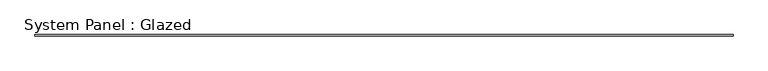
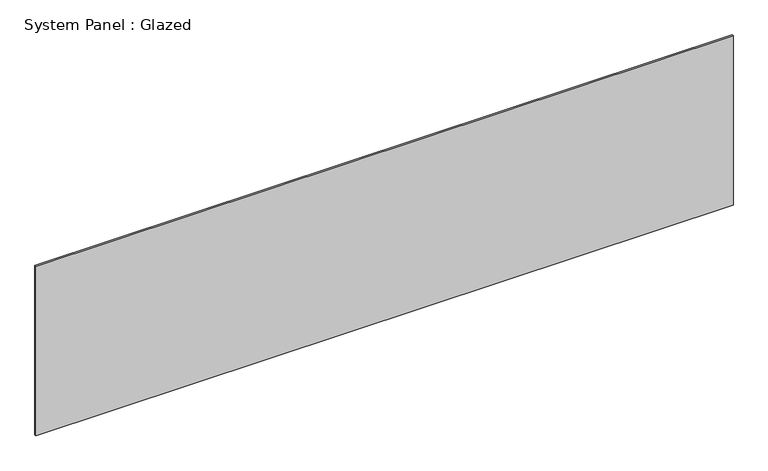
"""IFC4 building model written with IfcOpenShell, lengths in millimetres: plate geometry, System Panel : Glazed."""

from ifc_helpers import new_model, si_unit, origin, origin_with_axes, place, context, project, spatial, polyline, outline, extrude, source, transform, mapped, element, save


def system_panel_glazed_c7ff2a38(model_context):
    return source(origin(), model_context, "Body", "SweptSolid", [
        extrude(outline(polyline([(5832.55, 24.5), (-5832.55, 24.5), (-5832.55, 49.5), (5832.55, 49.5), (5832.55, 24.5)])), origin_with_axes(), (0.0, 0.0, 1.0), 3000.0),
    ])


if __name__ == "__main__":
    model = new_model("IFC4")
    model_context = context("Model", 3, world=origin())
    ifc_project = project(units=[si_unit("LENGTHUNIT", "METRE", prefix="MILLI")], contexts=[model_context])
    site = spatial("IfcSite", under=ifc_project)
    building = spatial("IfcBuilding", under=site)
    placement = place(None, origin())
    system_panel_glazed_shape = system_panel_glazed_c7ff2a38(model_context)
    element("IfcPlate", 1, ObjectType="System Panel : Glazed", at=placement, inside=building, context=model_context, shape_type="MappedRepresentation", body=[
        mapped(system_panel_glazed_shape, transform((0.0, 0.0, 0.0), x_axis=(1.0, 0.0, 0.0), y_axis=(0.0, 1.0, 0.0), z_axis=(0.0, 0.0, 1.0))),
    ])
    save(model, "model.ifc")
